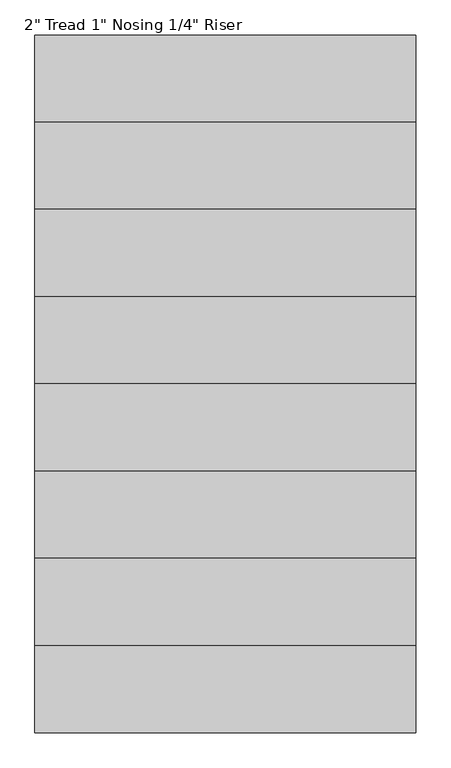
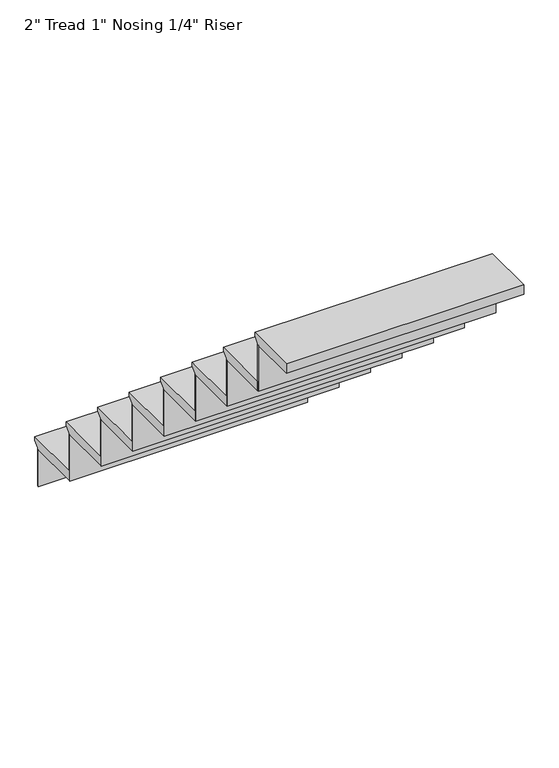
"""IFC4 building model written with IfcOpenShell, lengths in millimetres: stair flight geometry."""

from ifc_helpers import new_model, si_unit, frame, origin, place, context, project, spatial, polyline, outline, extrude, source, transform, mapped, element, save


def stair_flight_77421e0b(model_context):
    return source(origin(), model_context, "Body", "SweptSolid", [
        extrude(outline(polyline([(149225.7023046, -2492.8285714), (149530.5023046, -2492.8285714), (149530.5023046, -2511.8785714), (149505.1023046, -2537.2785714), (149505.1023046, -2543.6285714), (149225.7023046, -2543.6285714), (149225.7023046, -2492.8285714)])), frame((-227217.0890136, 0.0, 0.0), z_axis=(1.0, 0.0, 0.0), x_axis=(0.0, 1.0, 0.0)), (0.0, 0.0, 1.0), 1219.2),
        extrude(outline(polyline([(-227217.0890136, 149498.7523046), (-227217.0890136, 149505.1023046), (-225997.8890136, 149505.1023046), (-225997.8890136, 149498.7523046), (-227217.0890136, 149498.7523046)])), frame((0.0, 0.0, -2743.2), z_axis=(0.0, 0.0, 1.0), x_axis=(1.0, 0.0, 0.0)), (0.0, 0.0, 1.0), 199.5714286),
        extrude(outline(polyline([(-227217.0890136, 149219.3523046), (-227217.0890136, 149225.7023046), (-225997.8890136, 149225.7023046), (-225997.8890136, 149219.3523046), (-227217.0890136, 149219.3523046)])), frame((0.0, 0.0, -2543.6285714), z_axis=(0.0, 0.0, 1.0), x_axis=(1.0, 0.0, 0.0)), (0.0, 0.0, 1.0), 250.3714286),
        extrude(outline(polyline([(148946.3023046, -2242.4571429), (149251.1023046, -2242.4571429), (149251.1023046, -2261.5071429), (149225.7023046, -2286.9071429), (149225.7023046, -2293.2571429), (148946.3023046, -2293.2571429), (148946.3023046, -2242.4571429)])), frame((-227217.0890136, 0.0, 0.0), z_axis=(1.0, 0.0, 0.0), x_axis=(0.0, 1.0, 0.0)), (0.0, 0.0, 1.0), 1219.2),
        extrude(outline(polyline([(-227217.0890136, 148939.9523046), (-227217.0890136, 148946.3023046), (-225997.8890136, 148946.3023046), (-225997.8890136, 148939.9523046), (-227217.0890136, 148939.9523046)])), frame((0.0, 0.0, -2293.2571429), z_axis=(0.0, 0.0, 1.0), x_axis=(1.0, 0.0, 0.0)), (0.0, 0.0, 1.0), 250.3714286),
        extrude(outline(polyline([(148666.9023046, -1992.0857143), (148971.7023046, -1992.0857143), (148971.7023046, -2011.1357143), (148946.3023046, -2036.5357143), (148946.3023046, -2042.8857143), (148666.9023046, -2042.8857143), (148666.9023046, -1992.0857143)])), frame((-227217.0890136, 0.0, 0.0), z_axis=(1.0, 0.0, 0.0), x_axis=(0.0, 1.0, 0.0)), (0.0, 0.0, 1.0), 1219.2),
        extrude(outline(polyline([(-227217.0890136, 148660.5523046), (-227217.0890136, 148666.9023046), (-225997.8890136, 148666.9023046), (-225997.8890136, 148660.5523046), (-227217.0890136, 148660.5523046)])), frame((0.0, 0.0, -2042.8857143), z_axis=(0.0, 0.0, 1.0), x_axis=(1.0, 0.0, 0.0)), (0.0, 0.0, 1.0), 250.3714286),
        extrude(outline(polyline([(148387.5023046, -1741.7142857), (148692.3023046, -1741.7142857), (148692.3023046, -1760.7642857), (148666.9023046, -1786.1642857), (148666.9023046, -1792.5142857), (148387.5023046, -1792.5142857), (148387.5023046, -1741.7142857)])), frame((-227217.0890136, 0.0, 0.0), z_axis=(1.0, 0.0, 0.0), x_axis=(0.0, 1.0, 0.0)), (0.0, 0.0, 1.0), 1219.2),
        extrude(outline(polyline([(-227217.0890136, 148381.1523046), (-227217.0890136, 148387.5023046), (-225997.8890136, 148387.5023046), (-225997.8890136, 148381.1523046), (-227217.0890136, 148381.1523046)])), frame((0.0, 0.0, -1792.5142857), z_axis=(0.0, 0.0, 1.0), x_axis=(1.0, 0.0, 0.0)), (0.0, 0.0, 1.0), 250.3714286),
        extrude(outline(polyline([(148108.1023046, -1491.3428571), (148412.9023046, -1491.3428571), (148412.9023046, -1510.3928571), (148387.5023046, -1535.7928571), (148387.5023046, -1542.1428571), (148108.1023046, -1542.1428571), (148108.1023046, -1491.3428571)])), frame((-227217.0890136, 0.0, 0.0), z_axis=(1.0, 0.0, 0.0), x_axis=(0.0, 1.0, 0.0)), (0.0, 0.0, 1.0), 1219.2),
        extrude(outline(polyline([(-227217.0890136, 148101.7523046), (-227217.0890136, 148108.1023046), (-225997.8890136, 148108.1023046), (-225997.8890136, 148101.7523046), (-227217.0890136, 148101.7523046)])), frame((0.0, 0.0, -1542.1428571), z_axis=(0.0, 0.0, 1.0), x_axis=(1.0, 0.0, 0.0)), (0.0, 0.0, 1.0), 250.3714286),
        extrude(outline(polyline([(147828.7023046, -1240.9714286), (148133.5023046, -1240.9714286), (148133.5023046, -1260.0214286), (148108.1023046, -1285.4214286), (148108.1023046, -1291.7714286), (147828.7023046, -1291.7714286), (147828.7023046, -1240.9714286)])), frame((-227217.0890136, 0.0, 0.0), z_axis=(1.0, 0.0, 0.0), x_axis=(0.0, 1.0, 0.0)), (0.0, 0.0, 1.0), 1219.2),
        extrude(outline(polyline([(-227217.0890136, 147822.3523046), (-227217.0890136, 147828.7023046), (-225997.8890136, 147828.7023046), (-225997.8890136, 147822.3523046), (-227217.0890136, 147822.3523046)])), frame((0.0, 0.0, -1291.7714286), z_axis=(0.0, 0.0, 1.0), x_axis=(1.0, 0.0, 0.0)), (0.0, 0.0, 1.0), 250.3714286),
        extrude(outline(polyline([(147549.3023046, -990.6), (147854.1023046, -990.6), (147854.1023046, -1009.65), (147828.7023046, -1035.05), (147828.7023046, -1041.4), (147549.3023046, -1041.4), (147549.3023046, -990.6)])), frame((-227217.0890136, 0.0, 0.0), z_axis=(1.0, 0.0, 0.0), x_axis=(0.0, 1.0, 0.0)), (0.0, 0.0, 1.0), 1219.2),
        extrude(outline(polyline([(-227217.0890136, 147542.9523046), (-227217.0890136, 147549.3023046), (-225997.8890136, 147549.3023046), (-225997.8890136, 147542.9523046), (-227217.0890136, 147542.9523046)])), frame((0.0, 0.0, -1041.4), z_axis=(0.0, 0.0, 1.0), x_axis=(1.0, 0.0, 0.0)), (0.0, 0.0, 1.0), 250.3714286),
        extrude(outline(polyline([(147295.3023046, -740.2285714), (147574.7023046, -740.2285714), (147574.7023046, -759.2785714), (147549.3023046, -784.6785714), (147549.3023046, -791.0285714), (147295.3023046, -791.0285714), (147295.3023046, -740.2285714)])), frame((-227217.0890136, 0.0, 0.0), z_axis=(1.0, 0.0, 0.0), x_axis=(0.0, 1.0, 0.0)), (0.0, 0.0, 1.0), 1219.2),
    ])


if __name__ == "__main__":
    model = new_model("IFC4")
    model_context = context("Model", 3, world=origin())
    ifc_project = project(units=[si_unit("LENGTHUNIT", "METRE", prefix="MILLI")], contexts=[model_context])
    site = spatial("IfcSite", under=ifc_project)
    building = spatial("IfcBuilding", under=site)
    placement = place(None, origin())
    stair_flight_shape = stair_flight_77421e0b(model_context)
    element("IfcStairFlight", 1, ObjectType="2\" Tread 1\" Nosing 1/4\" Riser", at=placement, inside=building, context=model_context, shape_type="MappedRepresentation", body=[
        mapped(stair_flight_shape, transform((0.0, 0.0, 0.0), x_axis=(1.0, 0.0, 0.0), y_axis=(0.0, 1.0, 0.0), z_axis=(0.0, 0.0, 1.0))),
    ])
    save(model, "model.ifc")
